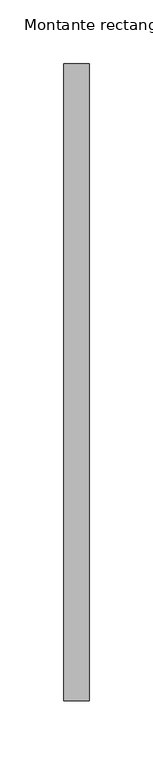
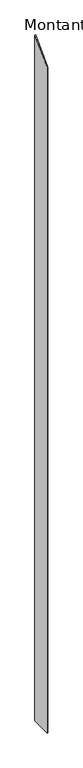
"""IFC4 building model written with IfcOpenShell, lengths in millimetres: member geometry, Montante rectangular."""

from ifc_helpers import new_model, si_unit, frame, origin, place, context, project, spatial, polyline, outline, extrude, source, transform, mapped, element, save


def montante_rectangular_0e38185a(model_context):
    return source(origin(), model_context, "Body", "SweptSolid", [
        extrude(outline(polyline([(-250.0, -250.0), (250.0, 250.0), (250.0, -16870.0596212), (-250.0, -16870.0596212), (-250.0, -250.0)])), frame((-20.0, 0.0, 0.0), z_axis=(1.0, 0.0, 0.0), x_axis=(0.0, 1.0, 0.0)), (0.0, 0.0, 1.0), 20.0),
    ])


if __name__ == "__main__":
    model = new_model("IFC4")
    model_context = context("Model", 3, world=origin())
    ifc_project = project(units=[si_unit("LENGTHUNIT", "METRE", prefix="MILLI")], contexts=[model_context])
    site = spatial("IfcSite", under=ifc_project)
    building = spatial("IfcBuilding", under=site)
    placement = place(None, origin())
    montante_rectangular_shape = montante_rectangular_0e38185a(model_context)
    element("IfcMember", 1, ObjectType="Montante rectangular", at=placement, inside=building, context=model_context, shape_type="MappedRepresentation", body=[
        mapped(montante_rectangular_shape, transform((0.0, 0.0, 0.0), x_axis=(1.0, 0.0, 0.0), y_axis=(0.0, 1.0, 0.0), z_axis=(0.0, 0.0, 1.0))),
    ])
    save(model, "model.ifc")
